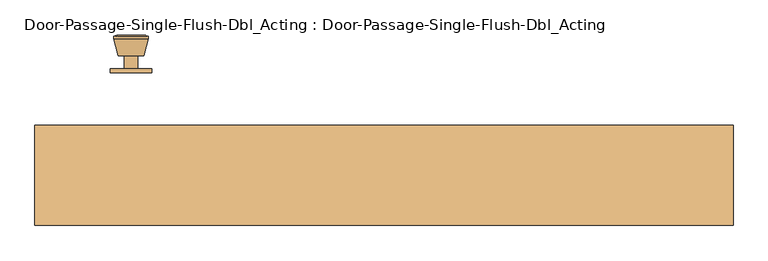
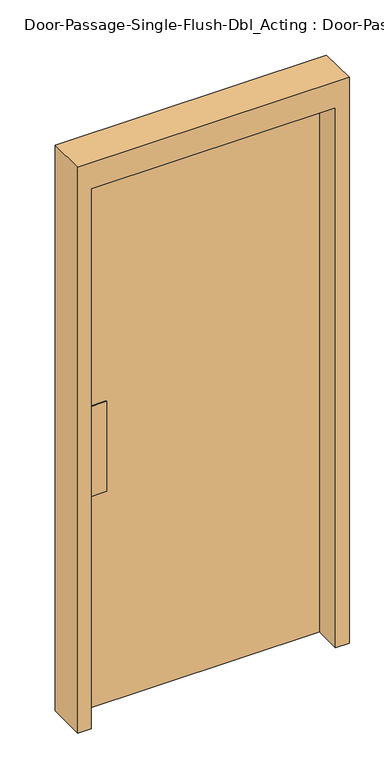
"""IFC4 building model written with IfcOpenShell, lengths in millimetres: door geometry, Door-Passage-Single-Flush-Dbl_Acting : Door-Passage-Single-Flush-Dbl_Acting."""

from ifc_helpers import new_model, si_unit, point, frame, frame_2d, origin, origin_with_axes, place, context, project, spatial, polyline, circle_curve, trimmed, segment, composite_curve, outline, extrude, source, transform, mapped, element, save
from ifc_brep_helpers import plane_surface, cylinder_surface, revolved_surface, advanced_brep


def door_passage_single_flush_dbl_acting_door_passage_single_c252d4ab(model_context):
    return source(origin(), model_context, "Body", "SolidModel", [
        advanced_brep(
        [(-368.3, 88.55, 1016.0), (-378.3, 88.55, 1016.0), (-358.3, 88.55, 1016.0), (-347.8241324, 137.55, 1016.0), (-388.7758676, 137.55, 1016.0), (-368.3, 137.55, 1016.0), (-343.3, 135.7221319, 1016.0), (-393.3, 135.7221319, 1016.0), (-343.3, 132.2584537, 1016.0), (-393.3, 132.2584537, 1016.0), (-349.663764, 107.55, 1016.0), (-386.936236, 107.55, 1016.0), (-358.3, 107.55, 1016.0), (-378.3, 107.55, 1016.0)],
        [
            (0, 1),
            (1, 2, circle_curve(frame((-368.3, 88.55, 1016.0), z_axis=(0.0, -1.0, 0.0), x_axis=(-1.0, 0.0, 0.0)), 10.0)),
            (2, 0),
            (2, 1, circle_curve(frame((-368.3, 88.55, 1016.0), z_axis=(0.0, -1.0, 0.0), x_axis=(-1.0, 0.0, 0.0)), 10.0)),
            (3, 4, circle_curve(frame((-368.3, 137.55, 1016.0), z_axis=(0.0, 1.0, 0.0), x_axis=(-1.0, 0.0, 0.0)), 20.4758676)),
            (4, 5),
            (5, 3),
            (4, 3, circle_curve(frame((-368.3, 137.55, 1016.0), z_axis=(0.0, 1.0, 0.0), x_axis=(-1.0, 0.0, 0.0)), 20.4758676)),
            (6, 7, circle_curve(frame((-368.3, 135.7221319, 1016.0), z_axis=(0.0, 1.0, 0.0), x_axis=(-1.0, 0.0, 0.0)), 25.0)),
            (7, 4),
            (3, 6),
            (7, 6, circle_curve(frame((-368.3, 135.7221319, 1016.0), z_axis=(0.0, 1.0, 0.0), x_axis=(-1.0, 0.0, 0.0)), 25.0)),
            (8, 9, circle_curve(frame((-368.3, 132.2584537, 1016.0), z_axis=(0.0, 1.0, 0.0), x_axis=(-1.0, 0.0, 0.0)), 25.0)),
            (9, 7),
            (6, 8),
            (9, 8, circle_curve(frame((-368.3, 132.2584537, 1016.0), z_axis=(0.0, 1.0, 0.0), x_axis=(-1.0, 0.0, 0.0)), 25.0)),
            (10, 11, circle_curve(frame((-368.3, 107.55, 1016.0), z_axis=(0.0, 1.0, 0.0), x_axis=(-1.0, 0.0, 0.0)), 18.636236)),
            (11, 9),
            (8, 10),
            (11, 10, circle_curve(frame((-368.3, 107.55, 1016.0), z_axis=(0.0, 1.0, 0.0), x_axis=(-1.0, 0.0, 0.0)), 18.636236)),
            (12, 13, circle_curve(frame((-368.3, 107.55, 1016.0), z_axis=(0.0, 1.0, 0.0), x_axis=(-1.0, 0.0, 0.0)), 10.0)),
            (13, 11),
            (10, 12),
            (13, 12, circle_curve(frame((-368.3, 107.55, 1016.0), z_axis=(0.0, 1.0, 0.0), x_axis=(-1.0, 0.0, 0.0)), 10.0)),
            (1, 13),
            (12, 2),
        ],
        [
            plane_surface(frame((-368.3, 88.55, 1016.0), z_axis=(0.0, -1.0, 0.0), x_axis=(-1.0, 0.0, 0.0))),
            plane_surface(frame((-368.3, 137.55, 1016.0), z_axis=(0.0, 1.0, 0.0), x_axis=(-1.0, 0.0, 0.0))),
            revolved_surface(polyline([(-388.7758676, 137.55, 1016.0), (-393.3, 135.7221319, 1016.0)]), (-368.3, 88.55, 1016.0), (0.0, -1.0, 0.0)),
            cylinder_surface(frame((-368.3, 88.55, 1016.0), z_axis=(0.0, -1.0, 0.0), x_axis=(-1.0, 0.0, 0.0)), 25.0),
            revolved_surface(polyline([(-393.3, 132.2584537, 1016.0), (-386.936236, 107.55, 1016.0)]), (-368.3, 88.55, 1016.0), (0.0, -1.0, 0.0)),
            plane_surface(frame((-368.3, 107.55, 1016.0), z_axis=(0.0, -1.0, 0.0), x_axis=(-1.0, 0.0, 0.0))),
            cylinder_surface(frame((-368.3, 88.55, 1016.0), z_axis=(0.0, -1.0, 0.0), x_axis=(-1.0, 0.0, 0.0)), 10.0),
        ],
        [
            (0, [[1, 2, 3]]),
            (0, [[-3, 4, -1]]),
            (1, [[5, 6, 7]]),
            (1, [[8, -7, -6]]),
            (2, [[9, 10, -5, 11]]),
            (2, [[12, -11, -8, -10]]),
            (3, [[13, 14, -9, 15]]),
            (3, [[16, -15, -12, -14]]),
            (4, [[17, 18, -13, 19]]),
            (4, [[20, -19, -16, -18]]),
            (5, [[21, 22, -17, 23]]),
            (5, [[24, -23, -20, -22]]),
            (6, [[-2, 25, -21, 26]]),
            (6, [[-4, -26, -24, -25]]),
        ],
    ),
        extrude(outline(composite_curve([segment(trimmed(circle_curve(frame_2d((1016.0, -368.3)), 30.0), [point((1016.0, -398.3))], [point((1016.0, -338.3))], False, "CARTESIAN"), True, "CONTINUOUS"), segment(trimmed(circle_curve(frame_2d((1016.0, -368.3)), 30.0), [point((1016.0, -338.3))], [point((1016.0, -398.3))], False, "CARTESIAN"), True, "CONTINUOUS")], self_intersect=False)), frame((0.0, 82.55, 0.0), z_axis=(0.0, 1.0, 0.0), x_axis=(0.0, 0.0, 1.0)), (0.0, 0.0, 1.0), 6.0),
        extrude(outline(polyline([(-419.1, -41.275), (-419.1, -38.1), (-342.9, -38.1), (-342.9, -41.275), (-419.1, -41.275)])), frame((0.0, 0.0, 838.2), z_axis=(0.0, 0.0, 1.0), x_axis=(1.0, 0.0, 0.0)), (0.0, 0.0, 1.0), 355.6),
        extrude(outline(polyline([(0.0, 457.2), (0.0, 508.0), (2235.2, 508.0), (2235.2, -508.0), (0.0, -508.0), (0.0, -457.2), (2133.6, -457.2), (2133.6, 457.2), (0.0, 457.2)])), frame((0.0, -139.7, 0.0), z_axis=(0.0, 1.0, 0.0), x_axis=(0.0, 0.0, 1.0)), (0.0, 0.0, 1.0), 146.05),
        extrude(outline(polyline([(457.2, -38.1), (-457.2, -38.1), (-457.2, 6.35), (457.2, 6.35), (457.2, -38.1)])), origin_with_axes(), (0.0, 0.0, 1.0), 2133.6),
    ])


if __name__ == "__main__":
    model = new_model("IFC4")
    model_context = context("Model", 3, world=origin())
    ifc_project = project(units=[si_unit("LENGTHUNIT", "METRE", prefix="MILLI")], contexts=[model_context])
    site = spatial("IfcSite", under=ifc_project)
    building = spatial("IfcBuilding", under=site)
    placement = place(None, origin())
    door_passage_single_flush_dbl_acting_door_passage_single_shape = door_passage_single_flush_dbl_acting_door_passage_single_c252d4ab(model_context)
    element("IfcDoor", 1, ObjectType="Door-Passage-Single-Flush-Dbl_Acting : Door-Passage-Single-Flush-Dbl_Acting", at=placement, inside=building, context=model_context, shape_type="MappedRepresentation", body=[
        mapped(door_passage_single_flush_dbl_acting_door_passage_single_shape, transform((0.0, 0.0, 0.0), x_axis=(1.0, 0.0, 0.0), y_axis=(0.0, 1.0, 0.0), z_axis=(0.0, 0.0, 1.0))),
    ])
    save(model, "model.ifc")
